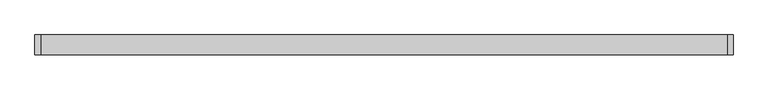
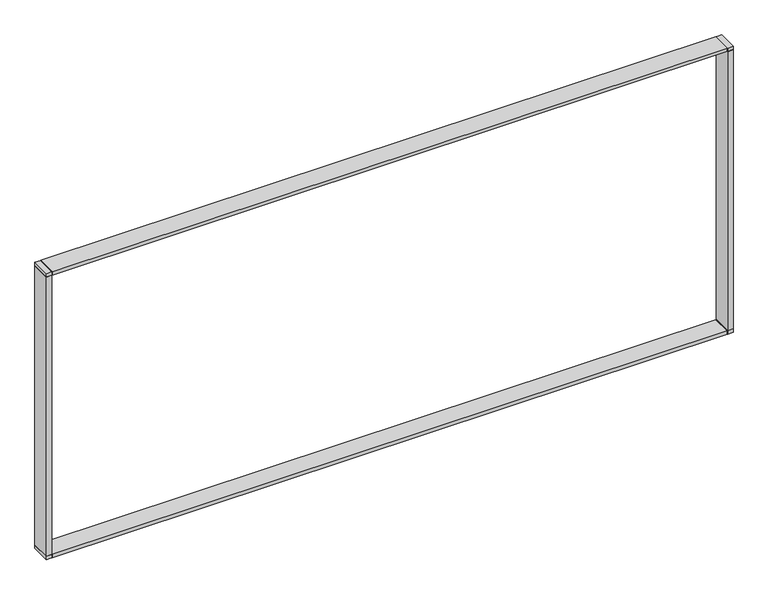
"""IFC4 building model written with IfcOpenShell, lengths in millimetres: furniture geometry."""

from ifc_helpers import new_model, si_unit, frame, origin, place, context, project, spatial, polyline, outline, extrude, source, transform, mapped, element, save


def furniture_150aa86a(model_context):
    return source(origin(), model_context, "Body", "SweptSolid", [
        extrude(outline(polyline([(23.368, -78.4860189), (22.352, -78.4860189), (22.352, 0.0), (23.368, 0.0), (23.368, -78.4860189)])), frame((0.0, 0.0, 450.0916657), z_axis=(0.0, 0.0, 1.0), x_axis=(1.0, 0.0, 0.0)), (0.0, 0.0, 1.0), 13.2043343),
        extrude(outline(polyline([(2743.2, -78.4860189), (2742.184, -78.4860189), (2742.184, 0.0), (2743.2, 0.0), (2743.2, -78.4860189)])), frame((0.0, 0.0, 450.0916657), z_axis=(0.0, 0.0, 1.0), x_axis=(1.0, 0.0, 0.0)), (0.0, 0.0, 1.0), 13.2043343),
        extrude(outline(polyline([(23.368, -78.4860189), (22.352, -78.4860189), (22.352, 0.0), (23.368, 0.0), (23.368, -78.4860189)])), frame((0.0, 0.0, 1653.032), z_axis=(0.0, 0.0, 1.0), x_axis=(1.0, 0.0, 0.0)), (0.0, 0.0, 1.0), 13.2805041),
        extrude(outline(polyline([(2743.2, -78.4860189), (2742.184, -78.4860189), (2742.184, 0.0), (2743.2, 0.0), (2743.2, -78.4860189)])), frame((0.0, 0.0, 1653.032), z_axis=(0.0, 0.0, 1.0), x_axis=(1.0, 0.0, 0.0)), (0.0, 0.0, 1.0), 13.2805041),
        extrude(outline(polyline([(22.352, -78.4860189), (0.7620174, -78.4860189), (0.7620174, 0.0), (22.352, 0.0), (22.352, -78.4860189)])), frame((0.0, 0.0, 1652.016), z_axis=(0.0, 0.0, 1.0), x_axis=(1.0, 0.0, 0.0)), (0.0, 0.0, 1.0), 1.016),
        extrude(outline(polyline([(2764.7899099, -78.4860189), (2743.2, -78.4860189), (2743.2, 0.0), (2764.7899099, 0.0), (2764.7899099, -78.4860189)])), frame((0.0, 0.0, 1652.016), z_axis=(0.0, 0.0, 1.0), x_axis=(1.0, 0.0, 0.0)), (0.0, 0.0, 1.0), 1.016),
        extrude(outline(polyline([(22.352, -78.4860189), (0.7620174, -78.4860189), (0.7620174, 0.0), (22.352, 0.0), (22.352, -78.4860189)])), frame((0.0, 0.0, 463.296), z_axis=(0.0, 0.0, 1.0), x_axis=(1.0, 0.0, 0.0)), (0.0, 0.0, 1.0), 1.016),
        extrude(outline(polyline([(2764.7899099, -78.4860189), (2743.2, -78.4860189), (2743.2, 0.0), (2764.7899099, 0.0), (2764.7899099, -78.4860189)])), frame((0.0, 0.0, 463.296), z_axis=(0.0, 0.0, 1.0), x_axis=(1.0, 0.0, 0.0)), (0.0, 0.0, 1.0), 1.016),
        extrude(outline(polyline([(22.352, -79.248), (0.0, -79.248), (0.0, 0.0), (22.352, 0.0), (22.352, -79.248)])), frame((0.0, 0.0, 449.326), z_axis=(0.0, 0.0, 1.0), x_axis=(1.0, 0.0, 0.0)), (0.0, 0.0, 1.0), 13.97),
        extrude(outline(polyline([(2742.184, -79.248), (23.368, -79.248), (23.368, 0.0), (2742.184, 0.0), (2742.184, -79.248)])), frame((0.0, 0.0, 449.326), z_axis=(0.0, 0.0, 1.0), x_axis=(1.0, 0.0, 0.0)), (0.0, 0.0, 1.0), 13.97),
        extrude(outline(polyline([(22.352, -79.248), (0.0, -79.248), (0.0, 0.0), (22.352, 0.0), (22.352, -79.248)])), frame((0.0, 0.0, 464.312), z_axis=(0.0, 0.0, 1.0), x_axis=(1.0, 0.0, 0.0)), (0.0, 0.0, 1.0), 1187.704),
        extrude(outline(polyline([(22.352, -79.248), (0.0, -79.248), (0.0, 0.0), (22.352, 0.0), (22.352, -79.248)])), frame((0.0, 0.0, 1653.032), z_axis=(0.0, 0.0, 1.0), x_axis=(1.0, 0.0, 0.0)), (0.0, 0.0, 1.0), 13.97),
        extrude(outline(polyline([(2742.184, -79.248), (23.368, -79.248), (23.368, 0.0), (2742.184, 0.0), (2742.184, -79.248)])), frame((0.0, 0.0, 1653.0320213), z_axis=(0.0, 0.0, 1.0), x_axis=(1.0, 0.0, 0.0)), (0.0, 0.0, 1.0), 13.9699787),
        extrude(outline(polyline([(2765.552, -79.248), (2743.2, -79.248), (2743.2, 0.0), (2765.552, 0.0), (2765.552, -79.248)])), frame((0.0, 0.0, 449.326), z_axis=(0.0, 0.0, 1.0), x_axis=(1.0, 0.0, 0.0)), (0.0, 0.0, 1.0), 13.97),
        extrude(outline(polyline([(2765.552, -79.248), (2743.2, -79.248), (2743.2, 0.0), (2765.552, 0.0), (2765.552, -79.248)])), frame((0.0, 0.0, 464.312), z_axis=(0.0, 0.0, 1.0), x_axis=(1.0, 0.0, 0.0)), (0.0, 0.0, 1.0), 1187.704),
        extrude(outline(polyline([(2765.552, -79.248), (2743.2, -79.248), (2743.2, 0.0), (2765.552, 0.0), (2765.552, -79.248)])), frame((0.0, 0.0, 1653.032), z_axis=(0.0, 0.0, 1.0), x_axis=(1.0, 0.0, 0.0)), (0.0, 0.0, 1.0), 13.97),
    ])


if __name__ == "__main__":
    model = new_model("IFC4")
    model_context = context("Model", 3, world=origin())
    ifc_project = project(units=[si_unit("LENGTHUNIT", "METRE", prefix="MILLI")], contexts=[model_context])
    site = spatial("IfcSite", under=ifc_project)
    building = spatial("IfcBuilding", under=site)
    placement = place(None, origin())
    furniture_shape = furniture_150aa86a(model_context)
    element("IfcFurniture", 1, at=placement, inside=building, context=model_context, shape_type="MappedRepresentation", body=[
        mapped(furniture_shape, transform((0.0, 0.0, 0.0), x_axis=(1.0, 0.0, 0.0), y_axis=(0.0, 1.0, 0.0), z_axis=(0.0, 0.0, 1.0))),
    ])
    save(model, "model.ifc")
